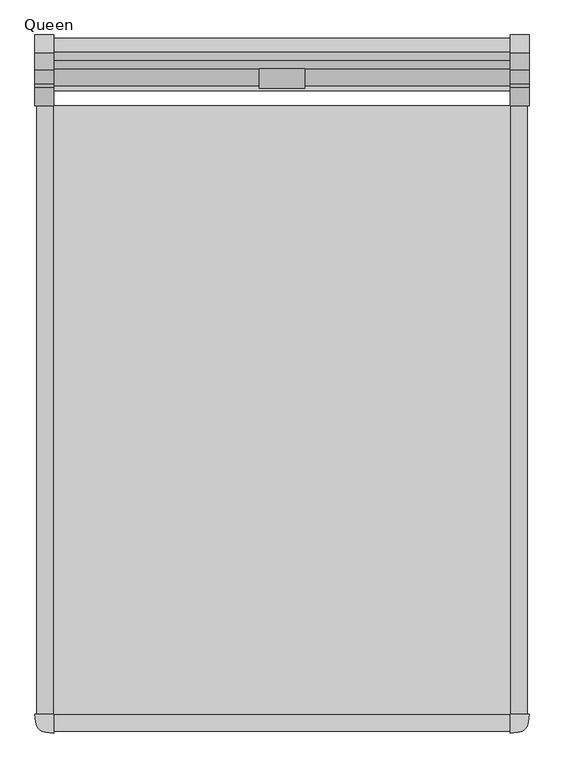
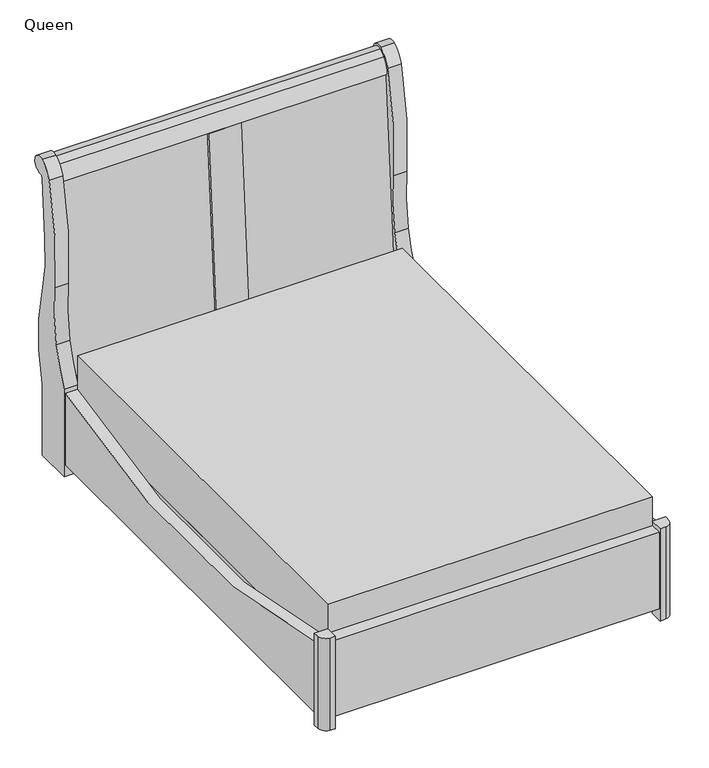
"""IFC4 building model written with IfcOpenShell, lengths in millimetres: furniture geometry, Queen."""

from ifc_helpers import new_model, si_unit, point, frame, frame_2d, origin, origin_with_axes, place, context, project, spatial, polyline, circle_curve, trimmed, segment, composite_curve, outline, extrude, source, transform, mapped, element, save


def queen_faf60550(model_context):
    return source(origin(), model_context, "Body", "SweptSolid", [
        extrude(outline(polyline([(762.0, -177.8), (762.0, -2209.8), (-762.0, -2209.8), (-762.0, -177.8), (762.0, -177.8)])), frame((0.0, 0.0, 298.45), z_axis=(0.0, 0.0, 1.0), x_axis=(1.0, 0.0, 0.0)), (0.0, 0.0, 1.0), 279.9216297),
        extrude(outline(polyline([(762.0, -177.8), (762.0, -2209.8), (-762.0, -2209.8), (-762.0, -177.8), (762.0, -177.8)])), frame((0.0, 0.0, 95.25), z_axis=(0.0, 0.0, 1.0), x_axis=(1.0, 0.0, 0.0)), (0.0, 0.0, 1.0), 203.2),
        extrude(outline(polyline([(-723.9, -177.8), (-723.9, -2209.8), (-762.0, -2209.8), (-762.0, -177.8), (-723.9, -177.8)])), frame((0.0, 0.0, 57.15), z_axis=(0.0, 0.0, 1.0), x_axis=(1.0, 0.0, 0.0)), (0.0, 0.0, 1.0), 38.1),
        extrude(outline(polyline([(723.9, -177.8), (762.0, -177.8), (762.0, -2209.8), (723.9, -2209.8), (723.9, -177.8)])), frame((0.0, 0.0, 57.15), z_axis=(0.0, 0.0, 1.0), x_axis=(1.0, 0.0, 0.0)), (0.0, 0.0, 1.0), 38.1),
        extrude(outline(polyline([(-762.0, -2209.8), (762.0, -2209.8), (762.0, -2266.95), (-762.0, -2266.95), (-762.0, -2209.8)])), frame((0.0, 0.0, 57.15), z_axis=(0.0, 0.0, 1.0), x_axis=(1.0, 0.0, 0.0)), (0.0, 0.0, 1.0), 378.3020861),
        extrude(outline(composite_curve([segment(polyline([(-177.8, 412.75), (-177.8, 57.15), (-2209.8, 57.15), (-2209.8, 412.75)]), True, "CONTINUOUS"), segment(trimmed(circle_curve(frame_2d((-1193.8, 3758.2307372)), 3496.354868), [point((-2209.8, 412.75))], [point((-177.8, 412.75))], True, "CARTESIAN"), True, "CONTINUOUS")], self_intersect=False)), frame((-819.15, 0.0, 0.0), z_axis=(1.0, 0.0, 0.0), x_axis=(0.0, 1.0, 0.0)), (0.0, 0.0, 1.0), 57.15),
        extrude(outline(composite_curve([segment(polyline([(-177.8, 57.15), (-2209.8, 57.15), (-2209.8, 412.75)]), True, "CONTINUOUS"), segment(trimmed(circle_curve(frame_2d((-1193.8, 3758.2307372)), 3496.354868), [point((-2209.8, 412.75))], [point((-177.8, 412.75))], True, "CARTESIAN"), True, "CONTINUOUS"), segment(polyline([(-177.8, 412.75), (-177.8, 57.15)]), True, "CONTINUOUS")], self_intersect=False)), frame((762.0, 0.0, 0.0), z_axis=(1.0, 0.0, 0.0), x_axis=(0.0, 1.0, 0.0)), (0.0, 0.0, 1.0), 57.15),
        extrude(outline(composite_curve([segment(polyline([(-762.0, -2273.3), (-788.5433717, -2270.9777559)]), True, "CONTINUOUS"), segment(trimmed(circle_curve(frame_2d((-785.2227379, -2233.0227379)), 38.1), [point((-788.5433717, -2270.9777559))], [point((-823.1777559, -2236.3433717))], False, "CARTESIAN"), True, "CONTINUOUS"), segment(polyline([(-823.1777559, -2236.3433717), (-825.5, -2209.8), (-762.0, -2209.8), (-762.0, -2273.3)]), True, "CONTINUOUS")], self_intersect=False)), origin_with_axes(), (0.0, 0.0, 1.0), 457.2),
        extrude(outline(composite_curve([segment(polyline([(825.5, -2209.8), (823.1777559, -2236.3433717)]), True, "CONTINUOUS"), segment(trimmed(circle_curve(frame_2d((785.2227379, -2233.0227379)), 38.1), [point((823.1777559, -2236.3433717))], [point((788.5433717, -2270.9777559))], False, "CARTESIAN"), True, "CONTINUOUS"), segment(polyline([(788.5433717, -2270.9777559), (762.0, -2273.3), (762.0, -2209.8), (825.5, -2209.8)]), True, "CONTINUOUS")], self_intersect=False)), origin_with_axes(), (0.0, 0.0, 1.0), 457.2),
        extrude(outline(polyline([(-110.7252522, 429.3587468), (-42.6999887, 1364.9426642), (-23.7704036, 1363.2865401), (-91.6752522, 429.3587468), (-110.7252522, 429.3587468)])), frame((-762.0, 0.0, 0.0), z_axis=(1.0, 0.0, 0.0), x_axis=(0.0, 1.0, 0.0)), (0.0, 0.0, 1.0), 685.8),
        extrude(outline(polyline([(-54.1283667, 1365.9425177), (-42.6999887, 1364.9426642), (-110.7252522, 429.3587468), (-119.620684, 429.3587468), (-54.1283667, 1365.9425177)])), frame((-76.2, 0.0, 0.0), z_axis=(1.0, 0.0, 0.0), x_axis=(0.0, 1.0, 0.0)), (0.0, 0.0, 1.0), 152.4),
        extrude(outline(polyline([(-110.7252522, 429.3587468), (-42.6999887, 1364.9426642), (-23.7704036, 1363.2865401), (-91.6752522, 429.3587468), (-110.7252522, 429.3587468)])), frame((76.2, 0.0, 0.0), z_axis=(1.0, 0.0, 0.0), x_axis=(0.0, 1.0, 0.0)), (0.0, 0.0, 1.0), 685.8),
        extrude(outline(polyline([(762.0, -76.4601097), (762.0, -127.2601097), (-762.0, -127.2601097), (-762.0, -76.4601097), (762.0, -76.4601097)])), frame((0.0, 0.0, 149.9587468), z_axis=(0.0, 0.0, 1.0), x_axis=(1.0, 0.0, 0.0)), (0.0, 0.0, 1.0), 279.4),
        extrude(outline(composite_curve([segment(trimmed(circle_curve(frame_2d((90.0752961, 1168.4680106)), 240.0575572), [point((25.1025896, 1399.5657781))], [point((18.8490974, 1397.7156046))], True, "CARTESIAN"), True, "CONTINUOUS"), segment(trimmed(circle_curve(frame_2d((30.8266052, 1359.1649745)), 40.3684502), [point((18.8490974, 1397.7156046))], [point((-8.2645787, 1369.2392546))], True, "CARTESIAN"), True, "CONTINUOUS"), segment(trimmed(circle_curve(frame_2d((93.455181, 1343.0248184)), 105.0433538), [point((-8.2645787, 1369.2392546))], [point((-9.8475124, 1362.0684449))], True, "CARTESIAN"), True, "CONTINUOUS"), segment(polyline([(-9.8475124, 1362.0684449), (-54.1283667, 1365.9425177)]), True, "CONTINUOUS"), segment(trimmed(circle_curve(frame_2d((59.8986381, 1360.7502697)), 114.1451588), [point((-54.1283667, 1365.9425177))], [point((-25.7323633, 1436.2250924))], False, "CARTESIAN"), True, "CONTINUOUS"), segment(trimmed(circle_curve(frame_2d((45.7796735, 1373.1946687)), 95.3247383), [point((-25.7323633, 1436.2250924))], [point((3.6686724, 1458.713493))], False, "CARTESIAN"), True, "CONTINUOUS"), segment(trimmed(circle_curve(frame_2d((16.5658309, 1429.9296952)), 31.5411432), [point((3.6686724, 1458.713493))], [point((25.1025896, 1399.5657781))], False, "CARTESIAN"), True, "CONTINUOUS")], self_intersect=False)), frame((-762.0, 0.0, 0.0), z_axis=(1.0, 0.0, 0.0), x_axis=(0.0, 1.0, 0.0)), (0.0, 0.0, 1.0), 1524.0),
        extrude(outline(composite_curve([segment(polyline([(-177.8, 0.0), (-177.8, 435.4520861)]), True, "CONTINUOUS"), segment(trimmed(circle_curve(frame_2d((-895.0244287, 780.5446268)), 795.9269708), [point((-177.8, 435.4520861))], [point((-115.7332106, 618.6652269))], True, "CARTESIAN"), True, "CONTINUOUS"), segment(trimmed(circle_curve(frame_2d((-999.1166344, 802.1673314)), 902.2412626), [point((-115.7332106, 618.6652269))], [point((-101.4189358, 892.6003887))], True, "CARTESIAN"), True, "CONTINUOUS"), segment(trimmed(circle_curve(frame_2d((1253.1662602, 1029.059779)), 1361.4412285), [point((-101.4189358, 892.6003887))], [point((-57.1438185, 1398.6672953))], False, "CARTESIAN"), True, "CONTINUOUS"), segment(trimmed(circle_curve(frame_2d((47.0266148, 1369.2832772)), 108.2353902), [point((-57.1438185, 1398.6672953))], [point((0.0, 1466.7686463))], False, "CARTESIAN"), True, "CONTINUOUS"), segment(trimmed(circle_curve(frame_2d((17.9605122, 1429.5368112)), 41.3375077), [point((0.0, 1466.7686463))], [point((17.9605122, 1388.1993035))], False, "CARTESIAN"), True, "CONTINUOUS"), segment(trimmed(circle_curve(frame_2d((17.9605122, 1370.2387913)), 17.9605122), [point((17.9605122, 1388.1993035))], [point((0.0, 1370.2387913))], True, "CARTESIAN"), True, "CONTINUOUS"), segment(trimmed(circle_curve(frame_2d((-2910.4607621, 1433.7169005)), 2911.152919), [point((0.0, 1370.2387913))], [point((-19.4899588, 1091.5193956))], False, "CARTESIAN"), True, "CONTINUOUS"), segment(trimmed(circle_curve(frame_2d((724.244668, 1003.4852539)), 748.9267022), [point((-19.4899588, 1091.5193956))], [point((0.0, 812.8))], True, "CARTESIAN"), True, "CONTINUOUS"), segment(trimmed(circle_curve(frame_2d((-868.2492629, 584.2)), 897.8389291), [point((0.0, 812.8))], [point((0.0, 355.6))], False, "CARTESIAN"), True, "CONTINUOUS"), segment(polyline([(0.0, 355.6), (0.0, 0.0), (-177.8, 0.0)]), True, "CONTINUOUS")], self_intersect=False)), frame((-825.5, 0.0, 0.0), z_axis=(1.0, 0.0, 0.0), x_axis=(0.0, 1.0, 0.0)), (0.0, 0.0, 1.0), 63.5),
        extrude(outline(composite_curve([segment(polyline([(-177.8, 0.0), (-177.8, 435.4520861)]), True, "CONTINUOUS"), segment(trimmed(circle_curve(frame_2d((-895.0244287, 780.5446268)), 795.9269708), [point((-177.8, 435.4520861))], [point((-115.7332106, 618.6652269))], True, "CARTESIAN"), True, "CONTINUOUS"), segment(trimmed(circle_curve(frame_2d((-999.1166344, 802.1673314)), 902.2412626), [point((-115.7332106, 618.6652269))], [point((-101.4189358, 892.6003887))], True, "CARTESIAN"), True, "CONTINUOUS"), segment(trimmed(circle_curve(frame_2d((1253.1662602, 1029.059779)), 1361.4412285), [point((-101.4189358, 892.6003887))], [point((-57.1438185, 1398.6672953))], False, "CARTESIAN"), True, "CONTINUOUS"), segment(trimmed(circle_curve(frame_2d((47.0266148, 1369.2832772)), 108.2353902), [point((-57.1438185, 1398.6672953))], [point((0.0, 1466.7686463))], False, "CARTESIAN"), True, "CONTINUOUS"), segment(trimmed(circle_curve(frame_2d((17.9605122, 1429.5368112)), 41.3375077), [point((0.0, 1466.7686463))], [point((17.9605122, 1388.1993035))], False, "CARTESIAN"), True, "CONTINUOUS"), segment(trimmed(circle_curve(frame_2d((17.9605122, 1370.2387913)), 17.9605122), [point((17.9605122, 1388.1993035))], [point((0.0, 1370.2387913))], True, "CARTESIAN"), True, "CONTINUOUS"), segment(trimmed(circle_curve(frame_2d((-2910.4607621, 1433.7169005)), 2911.152919), [point((0.0, 1370.2387913))], [point((-19.4899588, 1091.5193956))], False, "CARTESIAN"), True, "CONTINUOUS"), segment(trimmed(circle_curve(frame_2d((724.244668, 1003.4852539)), 748.9267022), [point((-19.4899588, 1091.5193956))], [point((0.0, 812.8))], True, "CARTESIAN"), True, "CONTINUOUS"), segment(trimmed(circle_curve(frame_2d((-868.2492629, 584.2)), 897.8389291), [point((0.0, 812.8))], [point((0.0, 355.6))], False, "CARTESIAN"), True, "CONTINUOUS"), segment(polyline([(0.0, 355.6), (0.0, 0.0), (-177.8, 0.0)]), True, "CONTINUOUS")], self_intersect=False)), frame((762.0, 0.0, 0.0), z_axis=(1.0, 0.0, 0.0), x_axis=(0.0, 1.0, 0.0)), (0.0, 0.0, 1.0), 63.5),
    ])


if __name__ == "__main__":
    model = new_model("IFC4")
    model_context = context("Model", 3, world=origin())
    ifc_project = project(units=[si_unit("LENGTHUNIT", "METRE", prefix="MILLI")], contexts=[model_context])
    site = spatial("IfcSite", under=ifc_project)
    building = spatial("IfcBuilding", under=site)
    placement = place(None, origin())
    queen_shape = queen_faf60550(model_context)
    element("IfcFurniture", 1, ObjectType="Queen", at=placement, inside=building, context=model_context, shape_type="MappedRepresentation", body=[
        mapped(queen_shape, transform((0.0, 0.0, 0.0), x_axis=(1.0, 0.0, 0.0), y_axis=(0.0, 1.0, 0.0), z_axis=(0.0, 0.0, 1.0))),
    ])
    save(model, "model.ifc")
